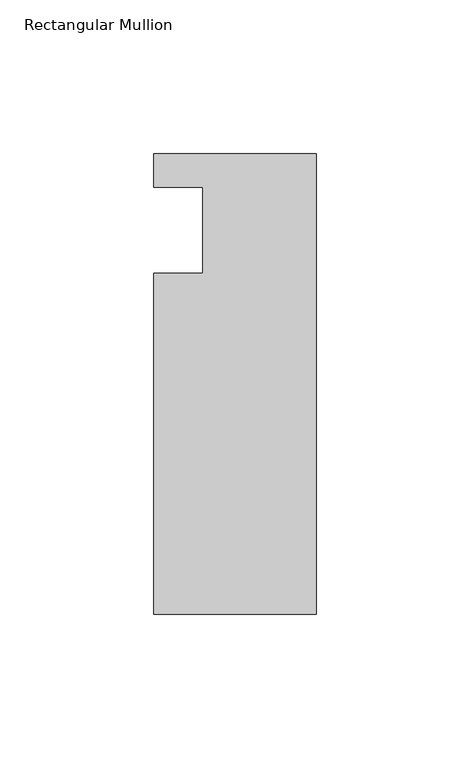
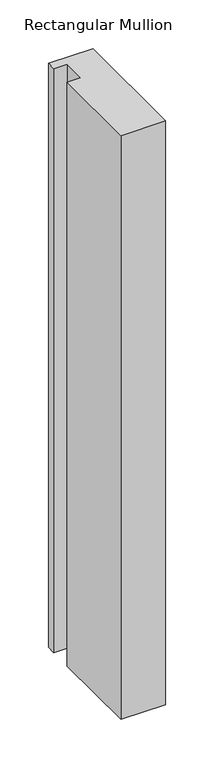
"""IFC4 building model written with IfcOpenShell, lengths in millimetres: member geometry, Rectangular Mullion."""

from ifc_helpers import new_model, si_unit, frame, origin, place, context, project, spatial, polyline, outline, extrude, source, transform, mapped, element, save


def rectangular_mullion_3890196a(model_context):
    return source(origin(), model_context, "Body", "SweptSolid", [
        extrude(outline(polyline([(-37.0, -14.0), (-37.0, 14.0), (-53.0, 14.0), (-53.0, 25.0), (0.0, 25.0), (0.0, -125.0), (-53.0, -125.0), (-53.0, -14.0), (-37.0, -14.0)])), frame((0.0, 0.0, -734.958673), z_axis=(0.0, 0.0, 1.0), x_axis=(1.0, 0.0, 0.0)), (0.0, 0.0, 1.0), 734.958673),
    ])


if __name__ == "__main__":
    model = new_model("IFC4")
    model_context = context("Model", 3, world=origin())
    ifc_project = project(units=[si_unit("LENGTHUNIT", "METRE", prefix="MILLI")], contexts=[model_context])
    site = spatial("IfcSite", under=ifc_project)
    building = spatial("IfcBuilding", under=site)
    placement = place(None, origin())
    rectangular_mullion_shape = rectangular_mullion_3890196a(model_context)
    element("IfcMember", 1, ObjectType="Rectangular Mullion", at=placement, inside=building, context=model_context, shape_type="MappedRepresentation", body=[
        mapped(rectangular_mullion_shape, transform((0.0, 0.0, 0.0), x_axis=(1.0, 0.0, 0.0), y_axis=(0.0, 1.0, 0.0), z_axis=(0.0, 0.0, 1.0))),
    ])
    save(model, "model.ifc")
